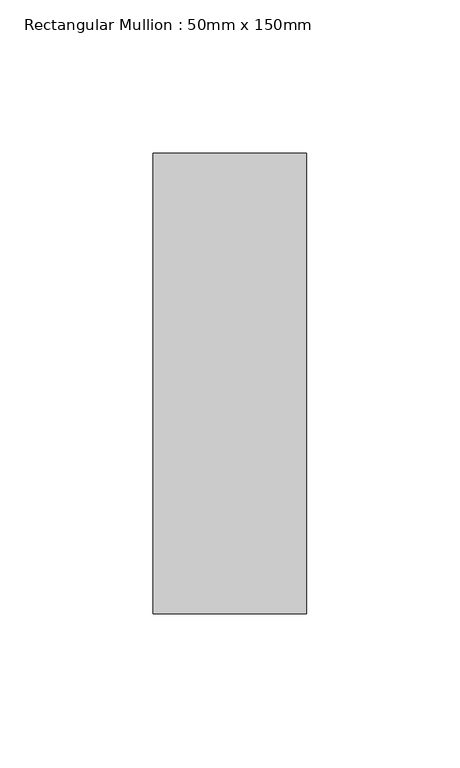
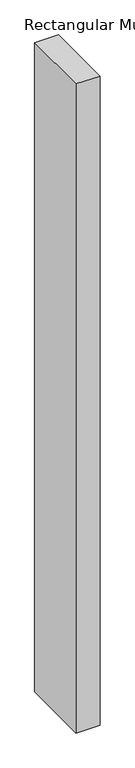
"""IFC4 building model written with IfcOpenShell, lengths in millimetres: member geometry, Rectangular Mullion : 50mm x 150mm."""

from ifc_helpers import new_model, si_unit, frame, origin, place, context, project, spatial, polyline, outline, extrude, source, transform, mapped, element, save


def rectangular_mullion_50mm_x_150mm_0a30e714(model_context):
    return source(origin(), model_context, "Body", "SweptSolid", [
        extrude(outline(polyline([(0.0, 75.0), (0.0, -75.0), (-50.0, -75.0), (-50.0, 75.0), (0.0, 75.0)])), frame((0.0, 0.0, -1435.7142856), z_axis=(0.0, 0.0, 1.0), x_axis=(1.0, 0.0, 0.0)), (0.0, 0.0, 1.0), 1435.7142856),
    ])


if __name__ == "__main__":
    model = new_model("IFC4")
    model_context = context("Model", 3, world=origin())
    ifc_project = project(units=[si_unit("LENGTHUNIT", "METRE", prefix="MILLI")], contexts=[model_context])
    site = spatial("IfcSite", under=ifc_project)
    building = spatial("IfcBuilding", under=site)
    placement = place(None, origin())
    rectangular_mullion_50mm_x_150mm_shape = rectangular_mullion_50mm_x_150mm_0a30e714(model_context)
    element("IfcMember", 1, ObjectType="Rectangular Mullion : 50mm x 150mm", at=placement, inside=building, context=model_context, shape_type="MappedRepresentation", body=[
        mapped(rectangular_mullion_50mm_x_150mm_shape, transform((0.0, 0.0, 0.0), x_axis=(1.0, 0.0, 0.0), y_axis=(0.0, 1.0, 0.0), z_axis=(0.0, 0.0, 1.0))),
    ])
    save(model, "model.ifc")
